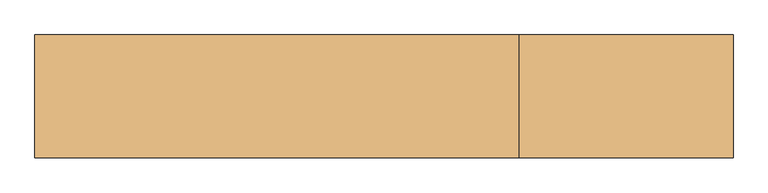
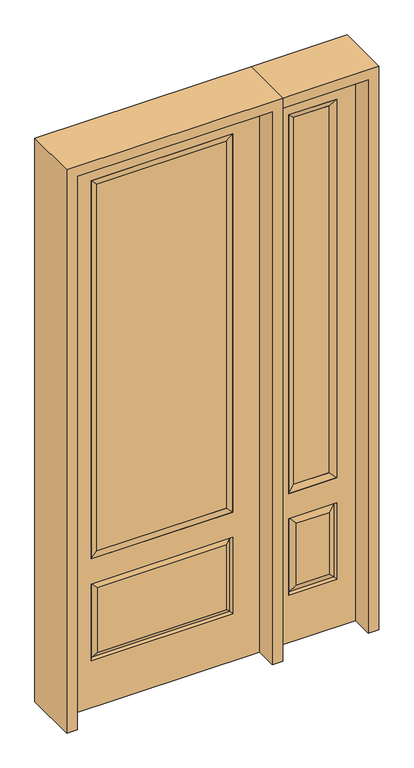
"""IFC4 building model written with IfcOpenShell, lengths in millimetres: door geometry."""

from ifc_helpers import new_model, si_unit, frame, origin, place, context, project, spatial, polyline, outline, extrude, faceted_brep, source, transform, mapped, element, save


def door_47bbd3a8(model_context):
    return source(origin(), model_context, "Body", "SolidModel", [
        faceted_brep([(450.85, -22.225, 0.0), (806.45, -22.225, 0.0), (806.45, -22.225, 2438.4), (450.85, -22.225, 2438.4), (728.98, -22.225, 2325.624), (728.98, -22.225, 657.098), (528.32, -22.225, 657.098), (528.32, -22.225, 2325.624), (728.98, -22.225, 209.55), (528.32, -22.225, 209.55), (528.32, -22.225, 546.1), (728.98, -22.225, 546.1), (560.0351001, -22.225, 241.2651001), (697.2648999, -22.225, 241.2651001), (697.2648999, -22.225, 514.3848999), (560.0351001, -22.225, 514.3848999), (450.85, 22.225, 0.0), (450.85, 22.225, 2438.4), (806.45, 22.225, 2438.4), (806.45, 22.225, 0.0), (728.98, 22.225, 2325.624), (528.32, 22.225, 2325.624), (528.32, 22.225, 657.098), (728.98, 22.225, 657.098), (528.32, 22.225, 209.55), (728.98, 22.225, 209.55), (728.98, 22.225, 546.1), (528.32, 22.225, 546.1), (697.2648999, 22.225, 241.2651001), (560.0351001, 22.225, 241.2651001), (560.0351001, 22.225, 514.3848999), (697.2648999, 22.225, 514.3848999), (721.8711499, 12.7912373, 216.6588501), (535.4288501, 12.7912373, 216.6588501), (535.4288501, 12.7912373, 538.9911499), (721.8711499, 12.7912373, 538.9911499), (535.4288501, -12.7912373, 216.6588501), (721.8711499, -12.7912373, 216.6588501), (535.4288501, -12.7912373, 538.9911499), (721.8711499, -12.7912373, 538.9911499)], [[[0, 1, 2, 3], [4, 5, 6, 7], [8, 9, 10, 11]], [[12, 13, 14, 15]], [[16, 17, 18, 19], [20, 21, 22, 23], [24, 25, 26, 27]], [[28, 29, 30, 31]], [[1, 0, 16, 19]], [[2, 1, 19, 18]], [[3, 2, 18, 17]], [[0, 3, 17, 16]], [[5, 4, 20, 23]], [[6, 5, 23, 22]], [[7, 6, 22, 21]], [[4, 7, 21, 20]], [[32, 33, 29, 28]], [[33, 32, 25, 24]], [[29, 33, 34, 30]], [[33, 24, 27, 34]], [[30, 34, 35, 31]], [[34, 27, 26, 35]], [[32, 28, 31, 35]], [[25, 32, 35, 26]], [[12, 36, 37, 13]], [[37, 36, 9, 8]], [[36, 12, 15, 38]], [[9, 36, 38, 10]], [[38, 15, 14, 39]], [[10, 38, 39, 11]], [[13, 37, 39, 14]], [[37, 8, 11, 39]]]),
        faceted_brep([(528.32, 22.225, 2325.624), (528.32, -22.225, 2325.624), (728.98, -22.225, 2325.624), (728.98, 22.225, 2325.624), (553.72, 12.7, 2300.224), (703.58, 12.7, 2300.224), (553.72, -12.7, 2300.224), (703.58, -12.7, 2300.224), (728.98, -22.225, 657.098), (728.98, 22.225, 657.098), (703.58, 12.7, 682.498), (703.58, -12.7, 682.498), (528.32, -22.225, 657.098), (528.32, 22.225, 657.098), (553.72, 12.7, 682.498), (553.72, -12.7, 682.498)], [[[0, 1, 2, 3]], [[4, 0, 3, 5]], [[6, 4, 5, 7]], [[1, 6, 7, 2]], [[3, 2, 8, 9]], [[5, 3, 9, 10]], [[7, 5, 10, 11]], [[2, 7, 11, 8]], [[9, 8, 12, 13]], [[10, 9, 13, 14]], [[11, 10, 14, 15]], [[8, 11, 15, 12]], [[13, 12, 1, 0]], [[14, 13, 0, 4]], [[15, 14, 4, 6]], [[12, 15, 6, 1]]]),
        extrude(outline(polyline([(703.58, -12.7), (553.72, -12.7), (553.72, 12.7), (703.58, 12.7), (703.58, -12.7)])), frame((0.0, 0.0, 682.498), z_axis=(0.0, 0.0, 1.0), x_axis=(1.0, 0.0, 0.0)), (0.0, 0.0, 1.0), 1617.726),
        extrude(outline(polyline([(269.875, -20.32), (-269.875, -20.32), (-269.875, 5.08), (269.875, 5.08), (269.875, -20.32)])), frame((0.0, 0.0, 682.498), z_axis=(0.0, 0.0, 1.0), x_axis=(1.0, 0.0, 0.0)), (0.0, 0.0, 1.0), 1616.202),
        faceted_brep([(-288.1661499, -12.7912373, 216.6588501), (288.1661499, -12.7912373, 216.6588501), (270.66875, -22.225, 234.15625), (-270.66875, -22.225, 234.15625), (-295.275, -22.225, 209.55), (295.275, -22.225, 209.55), (-288.1661499, -12.7912373, 538.9911499), (-295.275, -22.225, 546.1), (270.66875, -22.225, 521.49375), (-270.66875, -22.225, 521.49375), (406.4, -22.225, 2438.4), (-406.4, -22.225, 2438.4), (-406.4, -22.225, 0.0), (406.4, -22.225, 0.0), (295.275, -22.225, 546.1), (295.275, -22.225, 2324.1), (295.275, -22.225, 657.098), (-295.275, -22.225, 657.098), (-295.275, -22.225, 2324.1), (288.1661499, -12.7912373, 538.9911499), (-406.4, 22.225, 2438.4), (-406.4, 22.225, 0.0), (406.4, 22.225, 0.0), (406.4, 22.225, 2438.4), (295.275, 22.225, 2324.1), (295.275, 22.225, 657.098), (-295.275, 22.225, 657.098), (-295.275, 22.225, 2324.1), (-295.275, 22.225, 209.55), (295.275, 22.225, 209.55), (295.275, 22.225, 546.1), (-295.275, 22.225, 546.1), (270.66875, 22.225, 234.15625), (-270.66875, 22.225, 234.15625), (-270.66875, 22.225, 521.49375), (270.66875, 22.225, 521.49375), (-288.1661499, 12.7912373, 216.6588501), (288.1661499, 12.7912373, 216.6588501), (288.1661499, 12.7912373, 538.9911499), (-288.1661499, 12.7912373, 538.9911499)], [[[0, 1, 2, 3]], [[1, 0, 4, 5]], [[4, 0, 6, 7]], [[3, 2, 8, 9]], [[10, 11, 12, 13], [5, 4, 7, 14], [15, 16, 17, 18]], [[1, 5, 14, 19]], [[2, 1, 19, 8]], [[0, 3, 9, 6]], [[7, 6, 19, 14]], [[6, 9, 8, 19]], [[12, 11, 20, 21]], [[13, 12, 21, 22]], [[10, 13, 22, 23]], [[16, 15, 24, 25]], [[17, 16, 25, 26]], [[18, 17, 26, 27]], [[23, 22, 21, 20], [28, 29, 30, 31], [24, 27, 26, 25]], [[32, 33, 34, 35]], [[28, 36, 37, 29]], [[29, 37, 38, 30]], [[39, 31, 30, 38]], [[36, 28, 31, 39]], [[37, 36, 33, 32]], [[33, 36, 39, 34]], [[34, 39, 38, 35]], [[37, 32, 35, 38]], [[11, 10, 23, 20]], [[15, 18, 27, 24]]]),
        faceted_brep([(-295.275, -22.225, 2324.1), (-295.275, 22.225, 2324.1), (-295.275, 22.225, 657.098), (-295.275, -22.225, 657.098), (295.275, 22.225, 657.098), (295.275, -22.225, 657.098), (-269.875, 5.08, 682.498), (269.875, 5.08, 682.498), (295.275, 22.225, 2324.1), (295.275, -22.225, 2324.1), (-269.875, -20.32, 682.498), (269.875, -20.32, 682.498), (-269.875, -20.32, 2298.7), (269.875, -20.32, 2298.7), (-269.875, 5.08, 2298.7), (269.875, 5.08, 2298.7)], [[[0, 1, 2, 3]], [[3, 2, 4, 5]], [[2, 6, 7, 4]], [[5, 4, 8, 9]], [[10, 3, 5, 11]], [[12, 0, 3, 10]], [[11, 5, 9, 13]], [[6, 10, 11, 7]], [[14, 12, 10, 6]], [[7, 11, 13, 15]], [[1, 14, 6, 2]], [[4, 7, 15, 8]], [[9, 8, 1, 0]], [[13, 9, 0, 12]], [[15, 13, 12, 14]], [[8, 15, 14, 1]]]),
        extrude(outline(polyline([(2482.85, -450.85), (0.0, -450.85), (0.0, -406.4), (2438.4, -406.4), (2438.4, 406.4), (0.0, 406.4), (0.0, 450.85), (2482.85, 450.85), (2482.85, -450.85)])), frame((0.0, -114.3, 0.0), z_axis=(0.0, 1.0, 0.0), x_axis=(0.0, 0.0, 1.0)), (0.0, 0.0, 1.0), 228.6),
        extrude(outline(polyline([(0.0, 806.45), (0.0, 850.9), (2482.85, 850.9), (2482.85, 450.85), (2438.4, 450.85), (2438.4, 806.45), (0.0, 806.45)])), frame((0.0, -114.3, 0.0), z_axis=(0.0, 1.0, 0.0), x_axis=(0.0, 0.0, 1.0)), (0.0, 0.0, 1.0), 228.6),
    ])


if __name__ == "__main__":
    model = new_model("IFC4")
    model_context = context("Model", 3, world=origin())
    ifc_project = project(units=[si_unit("LENGTHUNIT", "METRE", prefix="MILLI")], contexts=[model_context])
    site = spatial("IfcSite", under=ifc_project)
    building = spatial("IfcBuilding", under=site)
    placement = place(None, origin())
    door_shape = door_47bbd3a8(model_context)
    element("IfcDoor", 1, at=placement, inside=building, context=model_context, shape_type="MappedRepresentation", body=[
        mapped(door_shape, transform((0.0, 0.0, 0.0), x_axis=(1.0, 0.0, 0.0), y_axis=(0.0, 1.0, 0.0), z_axis=(0.0, 0.0, 1.0))),
    ])
    save(model, "model.ifc")
